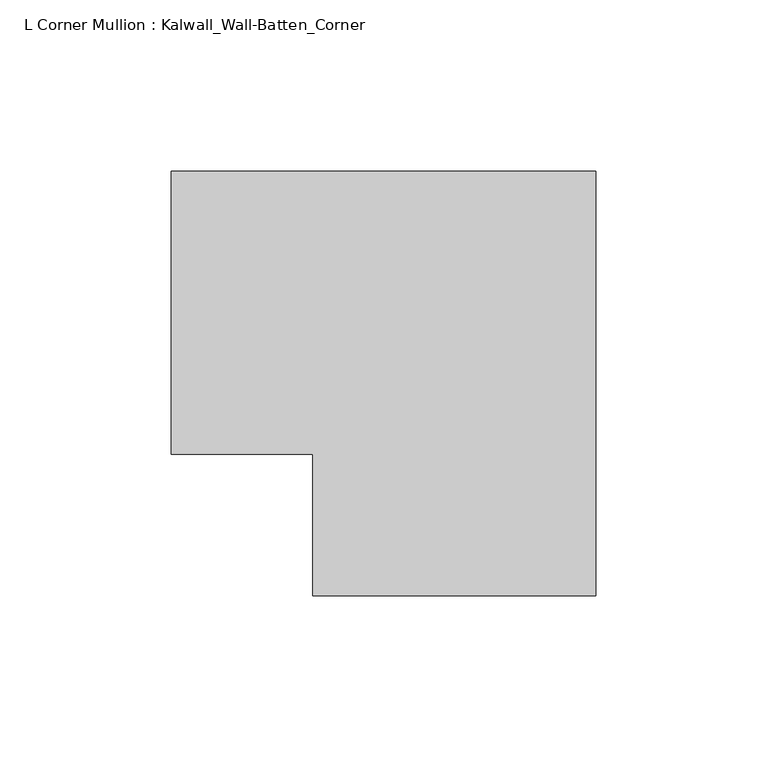
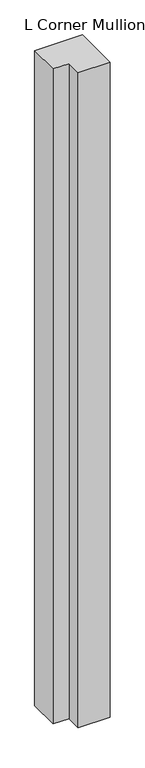
"""IFC4 building model written with IfcOpenShell, lengths in millimetres: member geometry, L Corner Mullion : Kalwall_Wall-Batten_Corner."""

import ifcopenshell
import ifcopenshell.guid

model = None  # the IFC model being written
_history = None  # IfcOwnerHistory: only IFC2X3 demands one
_inside = {}  # id of a spatial element -> (the spatial element, [elements in it])
_under = {}  # id of a project, library or spatial element -> (it, [spatial elements below it])
_declared = {}  # id of a project -> (the project, [libraries it declares])
_typed = {}  # id of a type object -> (the type object, [elements of that type])
_made_of = {}  # id of a material, layer set ... -> (it, [elements and type objects made of it])


def new_model(schema):
    """Start an empty IFC model of exactly this schema.

    Asked for "IFC4X3", IfcOpenShell would pick the latest addendum, in which some entities
    have other attributes; the version numbers below select the first issue.
    IFC2X3 requires an IfcOwnerHistory on every rooted entity: one is made here for all.
    """
    global model, _history
    if schema == "IFC4X3":
        model = ifcopenshell.file(schema_version=(4, 3, 0, 0))
    else:
        model = ifcopenshell.file(schema=schema)
    _inside.clear()
    _under.clear()
    _declared.clear()
    _typed.clear()
    _made_of.clear()
    _history = None
    if model.schema == "IFC2X3":
        org = make("IfcOrganization", Name="unknown")
        user = make(
            "IfcPersonAndOrganization",
            ThePerson=make("IfcPerson", FamilyName="unknown"),
            TheOrganization=org,
        )
        app = make(
            "IfcApplication",
            ApplicationDeveloper=org,
            Version="unknown",
            ApplicationFullName="unknown",
            ApplicationIdentifier="unknown",
        )
        _history = make(
            "IfcOwnerHistory",
            OwningUser=user,
            OwningApplication=app,
            ChangeAction="ADDED",
            CreationDate=0,
        )
    return model


def make(cls, **values):
    """One entity of the class cls with the attributes given. An attribute that is None is left unset."""
    return model.create_entity(
        cls, **{name: value for name, value in values.items() if value is not None}
    )


def rooted(cls, **values):
    """An entity with a GlobalId (a new one), such as an element, a storey or a relation."""
    return make(cls, GlobalId=ifcopenshell.guid.new(), OwnerHistory=_history, **values)


def si_unit(unit_type, name, prefix=None):
    """IfcSIUnit, for example si_unit("LENGTHUNIT", "METRE", prefix="MILLI")."""
    return make("IfcSIUnit", UnitType=unit_type, Prefix=prefix, Name=name)


def assignment(units):
    """IfcUnitAssignment: the units of a project."""
    return None if units is None else make("IfcUnitAssignment", Units=units)


def point(xyz):
    """IfcCartesianPoint."""
    return None if xyz is None else make("IfcCartesianPoint", Coordinates=xyz)


def direction(xyz):
    """IfcDirection."""
    return None if xyz is None else make("IfcDirection", DirectionRatios=xyz)


def frame(location, z_axis=None, x_axis=None):
    """IfcAxis2Placement3D, a coordinate frame: its origin and axes. An axis left out is left unset."""
    return make(
        "IfcAxis2Placement3D",
        Location=point(location),
        Axis=direction(z_axis),
        RefDirection=direction(x_axis),
    )


def origin():
    """The frame at (0, 0, 0) with its axes left unset."""
    return frame((0.0, 0.0, 0.0))


def place(relative_to, where):
    """IfcLocalPlacement: puts the frame where relative to a parent placement (None: the world)."""
    return make(
        "IfcLocalPlacement", PlacementRelTo=relative_to, RelativePlacement=where
    )


def context(
    kind, dimensions, precision=None, world=None, true_north=None, identifier=None
):
    """IfcGeometricRepresentationContext, for example the 3D "Model" context."""
    return make(
        "IfcGeometricRepresentationContext",
        ContextIdentifier=identifier,
        ContextType=kind,
        CoordinateSpaceDimension=dimensions,
        Precision=precision,
        WorldCoordinateSystem=world,
        TrueNorth=true_north,
    )


def project(units=None, contexts=None):
    """IfcProject with its units and contexts."""
    return rooted(
        "IfcProject",
        Name="project",
        RepresentationContexts=contexts,
        UnitsInContext=assignment(units),
    )


def spatial(cls, under=None, at=None, **own):
    """A site, building, storey or space (cls), placed at a placement, below another one or the project."""
    s = rooted(cls, ObjectPlacement=at, **own)
    if under is not None:
        _under.setdefault(under.id(), (under, []))[1].append(s)
    return s


def polyline(points):
    """IfcPolyline through the points."""
    return make("IfcPolyline", Points=[point(p) for p in points])


def outline(outer, holes=None, kind="AREA"):
    """IfcArbitraryClosedProfileDef: a profile drawn as a closed curve; with holes, ...WithVoids."""
    if holes is None:
        return make("IfcArbitraryClosedProfileDef", ProfileType=kind, OuterCurve=outer)
    return make(
        "IfcArbitraryProfileDefWithVoids",
        ProfileType=kind,
        OuterCurve=outer,
        InnerCurves=holes,
    )


def extrude(swept, where, along, depth):
    """IfcExtrudedAreaSolid: the profile swept, set in the frame where, extruded along a direction by depth."""
    return make(
        "IfcExtrudedAreaSolid",
        SweptArea=swept,
        Position=where,
        ExtrudedDirection=direction(along),
        Depth=depth,
    )


def shape(context_of_items, identifier, shape_type, items):
    """IfcShapeRepresentation: the items that make up one representation, for example the "Body"."""
    return make(
        "IfcShapeRepresentation",
        ContextOfItems=context_of_items,
        RepresentationIdentifier=identifier,
        RepresentationType=shape_type,
        Items=items,
    )


def source(mapping_origin, context_of_items, identifier, shape_type, items):
    """IfcRepresentationMap: a shape defined once, which mapped items show again and again."""
    return make(
        "IfcRepresentationMap",
        MappingOrigin=mapping_origin,
        MappedRepresentation=shape(context_of_items, identifier, shape_type, items),
    )


def transform(
    local_origin,
    x_axis=None,
    y_axis=None,
    z_axis=None,
    scale=None,
    scale2=None,
    scale3=None,
    uniform=True,
):
    """IfcCartesianTransformationOperator3D, or its non-uniform kind. x_axis, y_axis, z_axis: its Axis1, 2, 3."""
    if uniform:
        return make(
            "IfcCartesianTransformationOperator3D",
            Axis1=direction(x_axis),
            Axis2=direction(y_axis),
            LocalOrigin=point(local_origin),
            Scale=scale,
            Axis3=direction(z_axis),
        )
    return make(
        "IfcCartesianTransformationOperator3DnonUniform",
        Axis1=direction(x_axis),
        Axis2=direction(y_axis),
        LocalOrigin=point(local_origin),
        Scale=scale,
        Axis3=direction(z_axis),
        Scale2=scale2,
        Scale3=scale3,
    )


def mapped(mapping_source, mapping_target):
    """IfcMappedItem: shows the shape of a source again, moved by a transform."""
    return make(
        "IfcMappedItem", MappingSource=mapping_source, MappingTarget=mapping_target
    )


def made_of(thing, what):
    """Note that an element or type object is made of a material, layer set ...; save() writes the relation."""
    if what is not None:
        _made_of.setdefault(what.id(), (what, []))[1].append(thing)
    return thing


def element(
    cls,
    number,
    at=None,
    inside=None,
    cuts=None,
    type_object=None,
    material=None,
    context=None,
    identifier="Body",
    shape_type=None,
    held_by="IfcProductDefinitionShape",
    body=None,
    shapes=None,
    **own,
):
    """One element of the class cls, such as IfcWall. Its Tag is "e" and its number.

    at: its placement. inside: the storey or other place that contains it. cuts: it is an
    opening in that element (IfcRelVoidsElement). A single representation is given by context,
    identifier, shape_type and body (its items); several are given by shapes. held_by: the class
    of the entity that holds the representations. save() writes the other relations.
    """
    e = rooted(cls, Tag="e%d" % number, ObjectPlacement=at, **own)
    if body is not None:
        shapes = [shape(context, identifier, shape_type, body)]
    if shapes is not None:
        e.Representation = make(held_by, Representations=shapes)
    if inside is not None:
        _inside.setdefault(inside.id(), (inside, []))[1].append(e)
    if cuts is not None:
        rooted(
            "IfcRelVoidsElement", RelatingBuildingElement=cuts, RelatedOpeningElement=e
        )
    if type_object is not None:
        _typed.setdefault(type_object.id(), (type_object, []))[1].append(e)
    return made_of(e, material)


def aggregate(whole, parts):
    """IfcRelAggregates: a whole, such as a stair, and the parts it consists of."""
    return rooted("IfcRelAggregates", RelatingObject=whole, RelatedObjects=parts)


def save(model, path):
    """Write the relations noted so far, then the file.

    IfcRelAggregates (storeys below a building ...), IfcRelContainedInSpatialStructure (elements
    in a storey), IfcRelDefinesByType, IfcRelAssociatesMaterial and IfcRelDeclares: one each for
    every whole, place, type object, material and project.
    """
    for whole, parts in _under.values():
        aggregate(whole, parts)
    for where, things in _inside.values():
        rooted(
            "IfcRelContainedInSpatialStructure",
            RelatedElements=things,
            RelatingStructure=where,
        )
    for kind, things in _typed.values():
        rooted("IfcRelDefinesByType", RelatedObjects=things, RelatingType=kind)
    for what, things in _made_of.values():
        rooted("IfcRelAssociatesMaterial", RelatedObjects=things, RelatingMaterial=what)
    for by, libraries in _declared.values():
        rooted("IfcRelDeclares", RelatingContext=by, RelatedDefinitions=libraries)
    model.write(path)


def l_corner_mullion_kalwall_wall_batten_corner_e375d522(model_context):
    return source(origin(), model_context, "Body", "SweptSolid", [
        extrude(outline(polyline([(-41.275, -82.55), (-41.275, -41.275), (-82.55, -41.275), (-82.55, 41.275), (41.275, 41.275), (41.275, -82.55), (-41.275, -82.55)])), frame((0.0, 0.0, -1795.25), z_axis=(0.0, 0.0, 1.0), x_axis=(1.0, 0.0, 0.0)), (0.0, 0.0, 1.0), 1795.25),
    ])


if __name__ == "__main__":
    model = new_model("IFC4")
    model_context = context("Model", 3, world=origin())
    ifc_project = project(units=[si_unit("LENGTHUNIT", "METRE", prefix="MILLI")], contexts=[model_context])
    site = spatial("IfcSite", under=ifc_project)
    building = spatial("IfcBuilding", under=site)
    placement = place(None, origin())
    l_corner_mullion_kalwall_wall_batten_corner_shape = l_corner_mullion_kalwall_wall_batten_corner_e375d522(model_context)
    element("IfcMember", 1, ObjectType="L Corner Mullion : Kalwall_Wall-Batten_Corner", at=placement, inside=building, context=model_context, shape_type="MappedRepresentation", body=[
        mapped(l_corner_mullion_kalwall_wall_batten_corner_shape, transform((0.0, 0.0, 0.0), x_axis=(1.0, 0.0, 0.0), y_axis=(0.0, 1.0, 0.0), z_axis=(0.0, 0.0, 1.0))),
    ])
    save(model, "model.ifc")
